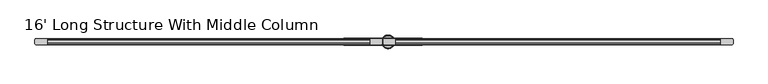
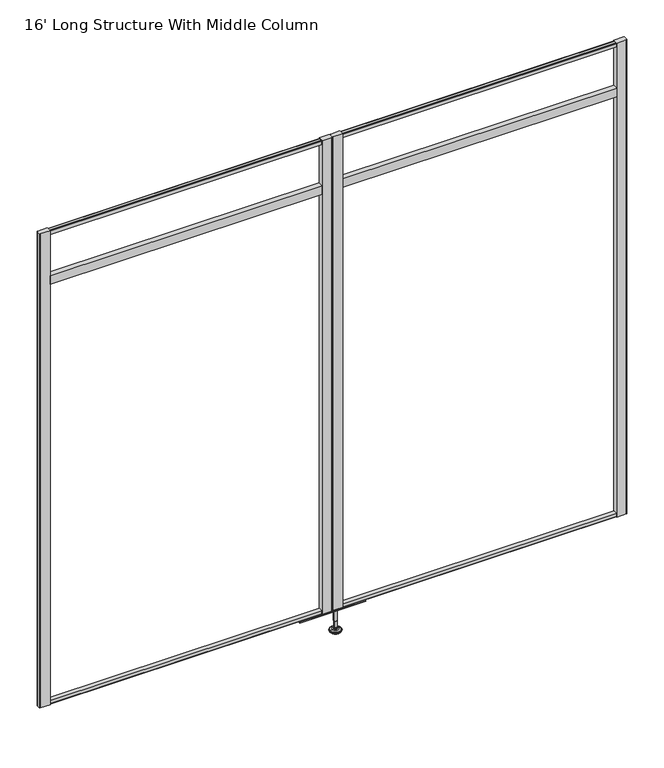
"""IFC4 building model written with IfcOpenShell, lengths in millimetres: furniture geometry, 16' Long Structure With Middle Column."""

from ifc_helpers import new_model, si_unit, frame, origin, place, context, project, spatial, polyline, circle_curve, outline, extrude, source, transform, mapped, element, save
from ifc_brep_helpers import plane_surface, cylinder_surface, revolved_surface, advanced_brep


def furniture_16_long_structure_with_middle_column_83e0a3ba(model_context):
    return source(origin(), model_context, "Body", "SolidModel", [
        advanced_brep(
        [(1235.6425665, 0.0, 101.6), (1244.6204879, 0.0, 101.6), (1226.6646451, 0.0, 101.6), (1221.5383265, 0.0, 0.0206943), (1249.7468064, 0.0, 0.0206943), (1235.6425665, 0.0, 0.0206943), (1216.6602948, 0.0, 1.4194474), (1254.6248381, 0.0, 1.4194474), (1212.8983798, 0.0, 4.7394056), (1258.3867532, 0.0, 4.7394056), (1211.7809301, 0.0, 7.5051905), (1259.5042028, 0.0, 7.5051905), (1211.7809301, 0.0, 8.3065967), (1259.5042028, 0.0, 8.3065967), (1212.6233333, 0.0, 9.8469348), (1258.6617996, 0.0, 9.8469348), (1213.723476, 0.0, 10.8375077), (1257.561657, 0.0, 10.8375077), (1221.0271712, 0.0, 12.7338946), (1250.2579617, 0.0, 12.7338946), (1228.4453226, 0.0, 13.3828987), (1242.8398104, 0.0, 13.3828987), (1228.4453226, 0.0, 14.1772758), (1242.8398104, 0.0, 14.1772758), (1230.8421154, 0.0, 14.1772758), (1240.4430175, 0.0, 14.1772758), (1230.8421154, 0.0, 18.8098403), (1240.4430175, 0.0, 18.8098403), (1229.8262627, 0.0, 19.8256929), (1241.4588702, 0.0, 19.8256929), (1229.8262627, 0.0, 48.3056352), (1241.4588702, 0.0, 48.3056352), (1228.6027349, 0.0, 49.9293116), (1242.6823981, 0.0, 49.9293116), (1228.6027349, 0.0, 97.327223), (1242.6823981, 0.0, 97.327223), (1227.7216305, 0.0, 97.6479188), (1243.5635025, 0.0, 97.6479188), (1226.6726415, 0.0, 97.6479188), (1244.6124914, 0.0, 97.6479188), (1225.0076116, 0.0, 98.6092242), (1246.2775213, 0.0, 98.6092242), (1225.0076116, 0.0, 100.6043539), (1246.2775213, 0.0, 100.6043539)],
        [
            (0, 1),
            (1, 2, circle_curve(frame((1235.6425665, 0.0, 101.6), z_axis=(0.0, 0.0, 1.0), x_axis=(1.0, 0.0, 0.0)), 8.9779214)),
            (2, 0),
            (2, 1, circle_curve(frame((1235.6425665, 0.0, 101.6), z_axis=(0.0, 0.0, 1.0), x_axis=(1.0, 0.0, 0.0)), 8.9779214)),
            (3, 4, circle_curve(frame((1235.6425665, 0.0, 0.0206943), z_axis=(0.0, 0.0, -1.0), x_axis=(1.0, 0.0, 0.0)), 14.1042399)),
            (4, 5),
            (5, 3),
            (4, 3, circle_curve(frame((1235.6425665, 0.0, 0.0206943), z_axis=(0.0, 0.0, -1.0), x_axis=(1.0, 0.0, 0.0)), 14.1042399)),
            (6, 7, circle_curve(frame((1235.6425665, 0.0, 1.4194474), z_axis=(0.0, 0.0, -1.0), x_axis=(1.0, 0.0, 0.0)), 18.9822717)),
            (7, 4),
            (3, 6),
            (7, 6, circle_curve(frame((1235.6425665, 0.0, 1.4194474), z_axis=(0.0, 0.0, -1.0), x_axis=(1.0, 0.0, 0.0)), 18.9822717)),
            (8, 9, circle_curve(frame((1235.6425665, 0.0, 4.7394056), z_axis=(0.0, 0.0, -1.0), x_axis=(1.0, 0.0, 0.0)), 22.7441867)),
            (9, 7),
            (6, 8),
            (9, 8, circle_curve(frame((1235.6425665, 0.0, 4.7394056), z_axis=(0.0, 0.0, -1.0), x_axis=(1.0, 0.0, 0.0)), 22.7441867)),
            (10, 11, circle_curve(frame((1235.6425665, 0.0, 7.5051905), z_axis=(0.0, 0.0, -1.0), x_axis=(1.0, 0.0, 0.0)), 23.8616363)),
            (11, 9),
            (8, 10),
            (11, 10, circle_curve(frame((1235.6425665, 0.0, 7.5051905), z_axis=(0.0, 0.0, -1.0), x_axis=(1.0, 0.0, 0.0)), 23.8616363)),
            (12, 13, circle_curve(frame((1235.6425665, 0.0, 8.3065967), z_axis=(0.0, 0.0, -1.0), x_axis=(1.0, 0.0, 0.0)), 23.8616363)),
            (13, 11),
            (10, 12),
            (13, 12, circle_curve(frame((1235.6425665, 0.0, 8.3065967), z_axis=(0.0, 0.0, -1.0), x_axis=(1.0, 0.0, 0.0)), 23.8616363)),
            (14, 15, circle_curve(frame((1235.6425665, 0.0, 9.8469348), z_axis=(0.0, 0.0, -1.0), x_axis=(1.0, 0.0, 0.0)), 23.0192331)),
            (15, 13),
            (12, 14),
            (15, 14, circle_curve(frame((1235.6425665, 0.0, 9.8469348), z_axis=(0.0, 0.0, -1.0), x_axis=(1.0, 0.0, 0.0)), 23.0192331)),
            (16, 17, circle_curve(frame((1235.6425665, 0.0, 10.8375077), z_axis=(0.0, 0.0, -1.0), x_axis=(1.0, 0.0, 0.0)), 21.9190905)),
            (17, 15),
            (14, 16),
            (17, 16, circle_curve(frame((1235.6425665, 0.0, 10.8375077), z_axis=(0.0, 0.0, -1.0), x_axis=(1.0, 0.0, 0.0)), 21.9190905)),
            (18, 19, circle_curve(frame((1235.6425665, 0.0, 12.7338946), z_axis=(0.0, 0.0, -1.0), x_axis=(1.0, 0.0, 0.0)), 14.6153953)),
            (19, 17),
            (16, 18),
            (19, 18, circle_curve(frame((1235.6425665, 0.0, 12.7338946), z_axis=(0.0, 0.0, -1.0), x_axis=(1.0, 0.0, 0.0)), 14.6153953)),
            (20, 21, circle_curve(frame((1235.6425665, 0.0, 13.3828987), z_axis=(0.0, 0.0, -1.0), x_axis=(1.0, 0.0, 0.0)), 7.1972439)),
            (21, 19),
            (18, 20),
            (21, 20, circle_curve(frame((1235.6425665, 0.0, 13.3828987), z_axis=(0.0, 0.0, -1.0), x_axis=(1.0, 0.0, 0.0)), 7.1972439)),
            (22, 23, circle_curve(frame((1235.6425665, 0.0, 14.1772758), z_axis=(0.0, 0.0, -1.0), x_axis=(1.0, 0.0, 0.0)), 7.1972439)),
            (23, 21),
            (20, 22),
            (23, 22, circle_curve(frame((1235.6425665, 0.0, 14.1772758), z_axis=(0.0, 0.0, -1.0), x_axis=(1.0, 0.0, 0.0)), 7.1972439)),
            (24, 25, circle_curve(frame((1235.6425665, 0.0, 14.1772758), z_axis=(0.0, 0.0, -1.0), x_axis=(1.0, 0.0, 0.0)), 4.8004511)),
            (25, 23),
            (22, 24),
            (25, 24, circle_curve(frame((1235.6425665, 0.0, 14.1772758), z_axis=(0.0, 0.0, -1.0), x_axis=(1.0, 0.0, 0.0)), 4.8004511)),
            (26, 27, circle_curve(frame((1235.6425665, 0.0, 18.8098403), z_axis=(0.0, 0.0, -1.0), x_axis=(1.0, 0.0, 0.0)), 4.8004511)),
            (27, 25),
            (24, 26),
            (27, 26, circle_curve(frame((1235.6425665, 0.0, 18.8098403), z_axis=(0.0, 0.0, -1.0), x_axis=(1.0, 0.0, 0.0)), 4.8004511)),
            (28, 29, circle_curve(frame((1235.6425665, 0.0, 19.8256929), z_axis=(0.0, 0.0, -1.0), x_axis=(1.0, 0.0, 0.0)), 5.8163037)),
            (29, 27),
            (26, 28),
            (29, 28, circle_curve(frame((1235.6425665, 0.0, 19.8256929), z_axis=(0.0, 0.0, -1.0), x_axis=(1.0, 0.0, 0.0)), 5.8163037)),
            (30, 31, circle_curve(frame((1235.6425665, 0.0, 48.3056352), z_axis=(0.0, 0.0, -1.0), x_axis=(1.0, 0.0, 0.0)), 5.8163037)),
            (31, 29),
            (28, 30),
            (31, 30, circle_curve(frame((1235.6425665, 0.0, 48.3056352), z_axis=(0.0, 0.0, -1.0), x_axis=(1.0, 0.0, 0.0)), 5.8163037)),
            (32, 33, circle_curve(frame((1235.6425665, 0.0, 49.9293116), z_axis=(0.0, 0.0, -1.0), x_axis=(1.0, 0.0, 0.0)), 7.0398316)),
            (33, 31),
            (30, 32),
            (33, 32, circle_curve(frame((1235.6425665, 0.0, 49.9293116), z_axis=(0.0, 0.0, -1.0), x_axis=(1.0, 0.0, 0.0)), 7.0398316)),
            (34, 35, circle_curve(frame((1235.6425665, 0.0, 97.327223), z_axis=(0.0, 0.0, -1.0), x_axis=(1.0, 0.0, 0.0)), 7.0398316)),
            (35, 33),
            (32, 34),
            (35, 34, circle_curve(frame((1235.6425665, 0.0, 97.327223), z_axis=(0.0, 0.0, -1.0), x_axis=(1.0, 0.0, 0.0)), 7.0398316)),
            (36, 37, circle_curve(frame((1235.6425665, 0.0, 97.6479188), z_axis=(0.0, 0.0, -1.0), x_axis=(1.0, 0.0, 0.0)), 7.920936)),
            (37, 35),
            (34, 36),
            (37, 36, circle_curve(frame((1235.6425665, 0.0, 97.6479188), z_axis=(0.0, 0.0, -1.0), x_axis=(1.0, 0.0, 0.0)), 7.920936)),
            (38, 39, circle_curve(frame((1235.6425665, 0.0, 97.6479188), z_axis=(0.0, 0.0, -1.0), x_axis=(1.0, 0.0, 0.0)), 8.9699249)),
            (39, 37),
            (36, 38),
            (39, 38, circle_curve(frame((1235.6425665, 0.0, 97.6479188), z_axis=(0.0, 0.0, -1.0), x_axis=(1.0, 0.0, 0.0)), 8.9699249)),
            (40, 41, circle_curve(frame((1235.6425665, 0.0, 98.6092242), z_axis=(0.0, 0.0, -1.0), x_axis=(1.0, 0.0, 0.0)), 10.6349548)),
            (41, 39),
            (38, 40),
            (41, 40, circle_curve(frame((1235.6425665, 0.0, 98.6092242), z_axis=(0.0, 0.0, -1.0), x_axis=(1.0, 0.0, 0.0)), 10.6349548)),
            (42, 43, circle_curve(frame((1235.6425665, 0.0, 100.6043539), z_axis=(0.0, 0.0, -1.0), x_axis=(1.0, 0.0, 0.0)), 10.6349548)),
            (43, 41),
            (40, 42),
            (43, 42, circle_curve(frame((1235.6425665, 0.0, 100.6043539), z_axis=(0.0, 0.0, -1.0), x_axis=(1.0, 0.0, 0.0)), 10.6349548)),
            (1, 43),
            (42, 2),
        ],
        [
            plane_surface(frame((1235.6425665, 0.0, 101.6), z_axis=(0.0, 0.0, 1.0), x_axis=(1.0, 0.0, 0.0))),
            plane_surface(frame((1235.6425665, 0.0, 0.0206943), z_axis=(0.0, 0.0, -1.0), x_axis=(1.0, 0.0, 0.0))),
            revolved_surface(polyline([(1249.7468064, 0.0, 0.0206943), (1254.6248381, 0.0, 1.4194474)]), (1235.6425665, 0.0, 101.6), (0.0, 0.0, 1.0)),
            revolved_surface(polyline([(1254.6248381, 0.0, 1.4194474), (1258.3867532, 0.0, 4.7394056)]), (1235.6425665, 0.0, 101.6), (0.0, 0.0, 1.0)),
            revolved_surface(polyline([(1258.3867532, 0.0, 4.7394056), (1259.5042028, 0.0, 7.5051905)]), (1235.6425665, 0.0, 101.6), (0.0, 0.0, 1.0)),
            cylinder_surface(frame((1235.6425665, 0.0, 101.6), z_axis=(0.0, 0.0, 1.0), x_axis=(1.0, 0.0, 0.0)), 23.8616363),
            revolved_surface(polyline([(1259.5042028, 0.0, 8.3065967), (1258.6617996, 0.0, 9.8469348)]), (1235.6425665, 0.0, 101.6), (0.0, 0.0, 1.0)),
            revolved_surface(polyline([(1258.6617996, 0.0, 9.8469348), (1257.561657, 0.0, 10.8375077)]), (1235.6425665, 0.0, 101.6), (0.0, 0.0, 1.0)),
            revolved_surface(polyline([(1257.561657, 0.0, 10.8375077), (1250.2579617, 0.0, 12.7338946)]), (1235.6425665, 0.0, 101.6), (0.0, 0.0, 1.0)),
            revolved_surface(polyline([(1250.2579617, 0.0, 12.7338946), (1242.8398104, 0.0, 13.3828987)]), (1235.6425665, 0.0, 101.6), (0.0, 0.0, 1.0)),
            cylinder_surface(frame((1235.6425665, 0.0, 101.6), z_axis=(0.0, 0.0, 1.0), x_axis=(1.0, 0.0, 0.0)), 7.1972439),
            plane_surface(frame((1235.6425665, 0.0, 14.1772758), z_axis=(0.0, 0.0, 1.0), x_axis=(1.0, 0.0, 0.0))),
            cylinder_surface(frame((1235.6425665, 0.0, 101.6), z_axis=(0.0, 0.0, 1.0), x_axis=(1.0, 0.0, 0.0)), 4.8004511),
            revolved_surface(polyline([(1240.4430175, 0.0, 18.8098403), (1241.4588702, 0.0, 19.8256929)]), (1235.6425665, 0.0, 101.6), (0.0, 0.0, 1.0)),
            cylinder_surface(frame((1235.6425665, 0.0, 101.6), z_axis=(0.0, 0.0, 1.0), x_axis=(1.0, 0.0, 0.0)), 5.8163037),
            revolved_surface(polyline([(1241.4588702, 0.0, 48.3056352), (1242.6823981, 0.0, 49.9293116)]), (1235.6425665, 0.0, 101.6), (0.0, 0.0, 1.0)),
            cylinder_surface(frame((1235.6425665, 0.0, 101.6), z_axis=(0.0, 0.0, 1.0), x_axis=(1.0, 0.0, 0.0)), 7.0398316),
            revolved_surface(polyline([(1242.6823981, 0.0, 97.327223), (1243.5635025, 0.0, 97.6479188)]), (1235.6425665, 0.0, 101.6), (0.0, 0.0, 1.0)),
            plane_surface(frame((1235.6425665, 0.0, 97.6479188), z_axis=(0.0, 0.0, -1.0), x_axis=(1.0, 0.0, 0.0))),
            revolved_surface(polyline([(1244.6124914, 0.0, 97.6479188), (1246.2775213, 0.0, 98.6092242)]), (1235.6425665, 0.0, 101.6), (0.0, 0.0, 1.0)),
            cylinder_surface(frame((1235.6425665, 0.0, 101.6), z_axis=(0.0, 0.0, 1.0), x_axis=(1.0, 0.0, 0.0)), 10.6349548),
            revolved_surface(polyline([(1246.2775213, 0.0, 100.6043539), (1244.6204879, 0.0, 101.6)]), (1235.6425665, 0.0, 101.6), (0.0, 0.0, 1.0)),
        ],
        [
            (0, [[1, 2, 3]]),
            (0, [[-3, 4, -1]]),
            (1, [[5, 6, 7]]),
            (1, [[8, -7, -6]]),
            (2, [[9, 10, -5, 11]]),
            (2, [[12, -11, -8, -10]]),
            (3, [[13, 14, -9, 15]]),
            (3, [[16, -15, -12, -14]]),
            (4, [[17, 18, -13, 19]]),
            (4, [[20, -19, -16, -18]]),
            (5, [[21, 22, -17, 23]]),
            (5, [[24, -23, -20, -22]]),
            (6, [[25, 26, -21, 27]]),
            (6, [[28, -27, -24, -26]]),
            (7, [[29, 30, -25, 31]]),
            (7, [[32, -31, -28, -30]]),
            (8, [[33, 34, -29, 35]]),
            (8, [[36, -35, -32, -34]]),
            (9, [[37, 38, -33, 39]]),
            (9, [[40, -39, -36, -38]]),
            (10, [[41, 42, -37, 43]]),
            (10, [[44, -43, -40, -42]]),
            (11, [[45, 46, -41, 47]]),
            (11, [[48, -47, -44, -46]]),
            (12, [[49, 50, -45, 51]]),
            (12, [[52, -51, -48, -50]]),
            (13, [[53, 54, -49, 55]]),
            (13, [[56, -55, -52, -54]]),
            (14, [[57, 58, -53, 59]]),
            (14, [[60, -59, -56, -58]]),
            (15, [[61, 62, -57, 63]]),
            (15, [[64, -63, -60, -62]]),
            (16, [[65, 66, -61, 67]]),
            (16, [[68, -67, -64, -66]]),
            (17, [[69, 70, -65, 71]]),
            (17, [[72, -71, -68, -70]]),
            (18, [[73, 74, -69, 75]]),
            (18, [[76, -75, -72, -74]]),
            (19, [[77, 78, -73, 79]]),
            (19, [[80, -79, -76, -78]]),
            (20, [[81, 82, -77, 83]]),
            (20, [[84, -83, -80, -82]]),
            (21, [[-2, 85, -81, 86]]),
            (21, [[-4, -86, -84, -85]]),
        ],
    ),
        extrude(outline(polyline([(1260.1829, 10.5559997), (1260.1829, -10.5559997), (1221.4079049, -10.5559997), (1219.1279932, -9.6109027), (1218.1828837, -7.3310001), (1218.1828837, 7.3310001), (1219.1279932, 9.6109027), (1221.4079049, 10.5559997), (1260.1829, 10.5559997)])), frame((0.0, 0.0, 103.4818084), z_axis=(0.0, 0.0, 1.0), x_axis=(1.0, 0.0, 0.0)), (0.0, 0.0, 1.0), 2081.3499916),
        extrude(outline(polyline([(1173.8229, 10.5559997), (1212.5978951, 10.5559997), (1214.8778068, 9.6109027), (1215.8229163, 7.3310001), (1215.8229163, -7.3310001), (1214.8778068, -9.6109027), (1212.5978951, -10.5559997), (1173.8229, -10.5559997), (1173.8229, 10.5559997)])), frame((0.0, 0.0, 103.4818084), z_axis=(0.0, 0.0, 1.0), x_axis=(1.0, 0.0, 0.0)), (0.0, 0.0, 1.0), 2081.3499916),
        extrude(outline(polyline([(1354.6319218, 12.2069997), (1354.6319218, -12.2069997), (1080.9994782, -12.2069997), (1080.9994782, 12.2069997), (1354.6319218, 12.2069997)])), frame((0.0, 0.0, 97.327223), z_axis=(0.0, 0.0, 1.0), x_axis=(1.0, 0.0, 0.0)), (0.0, 0.0, 1.0), 3.8128244),
        extrude(outline(polyline([(2399.411, 10.5559997), (2399.411, -10.5559997), (1260.1829, -10.5559997), (1260.1829, 10.5559997), (2399.411, 10.5559997)])), frame((0.0, 0.0, 1949.2990402), z_axis=(0.0, 0.0, 1.0), x_axis=(1.0, 0.0, 0.0)), (0.0, 0.0, 1.0), 38.1),
        extrude(outline(polyline([(43.1799273, -10.5559997), (43.1799273, 10.5559997), (1173.8229, 10.5559997), (1173.8229, -10.5559997), (43.1799273, -10.5559997)])), frame((0.0, 0.0, 1949.2990402), z_axis=(0.0, 0.0, 1.0), x_axis=(1.0, 0.0, 0.0)), (0.0, 0.0, 1.0), 38.1),
        extrude(outline(polyline([(-8.9429997, 2166.849753), (-8.9429997, 2180.8497706), (-8.0643203, 2182.9710074), (-5.943, 2183.8497328), (5.943, 2183.8497328), (8.0643203, 2182.9710074), (8.9429997, 2180.8497706), (8.9429997, 2166.849753), (-8.9429997, 2166.849753)])), frame((43.1799273, 0.0, 0.0), z_axis=(1.0, 0.0, 0.0), x_axis=(0.0, 1.0, 0.0)), (0.0, 0.0, 1.0), 2356.2310727),
        extrude(outline(polyline([(43.1799273, 10.5559997), (43.1799273, -10.5559997), (3.2032054, -10.5559997), (0.9232937, -9.6109027), (-0.0218157, -7.3310001), (-0.0218157, 7.3310001), (0.9232937, 9.6109027), (3.2032054, 10.5559997), (43.1799273, 10.5559997)])), frame((0.0, 0.0, 101.6), z_axis=(0.0, 0.0, 1.0), x_axis=(1.0, 0.0, 0.0)), (0.0, 0.0, 1.0), 2083.2318),
        extrude(outline(polyline([(2399.411, 10.5559997), (2439.6084304, 10.5559997), (2441.8883784, 9.6109027), (2442.718, 7.6093626), (2442.718, -7.6093626), (2441.8883784, -9.6109027), (2439.6084304, -10.5559997), (2399.411, -10.5559997), (2399.411, 10.5559997)])), frame((0.0, 0.0, 101.6), z_axis=(0.0, 0.0, 1.0), x_axis=(1.0, 0.0, 0.0)), (0.0, 0.0, 1.0), 2083.2318),
        extrude(outline(polyline([(-8.9429997, 118.1400272), (8.9429997, 118.1400272), (8.9429997, 104.1400097), (8.0643203, 102.0187729), (5.943, 101.1400475), (-5.943, 101.1400475), (-8.0643203, 102.0187729), (-8.9429997, 104.1400097), (-8.9429997, 118.1400272)])), frame((43.1799273, 0.0, 0.0), z_axis=(1.0, 0.0, 0.0), x_axis=(0.0, 1.0, 0.0)), (0.0, 0.0, 1.0), 2356.2310727),
    ])


if __name__ == "__main__":
    model = new_model("IFC4")
    model_context = context("Model", 3, world=origin())
    ifc_project = project(units=[si_unit("LENGTHUNIT", "METRE", prefix="MILLI")], contexts=[model_context])
    site = spatial("IfcSite", under=ifc_project)
    building = spatial("IfcBuilding", under=site)
    placement = place(None, origin())
    furniture_16_long_structure_with_middle_column_shape = furniture_16_long_structure_with_middle_column_83e0a3ba(model_context)
    element("IfcFurniture", 1, ObjectType="16' Long Structure With Middle Column", at=placement, inside=building, context=model_context, shape_type="MappedRepresentation", body=[
        mapped(furniture_16_long_structure_with_middle_column_shape, transform((0.0, 0.0, 0.0), x_axis=(1.0, 0.0, 0.0), y_axis=(0.0, 1.0, 0.0), z_axis=(0.0, 0.0, 1.0))),
    ])
    save(model, "model.ifc")
